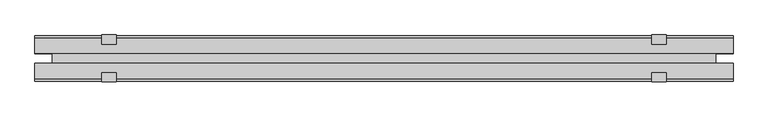
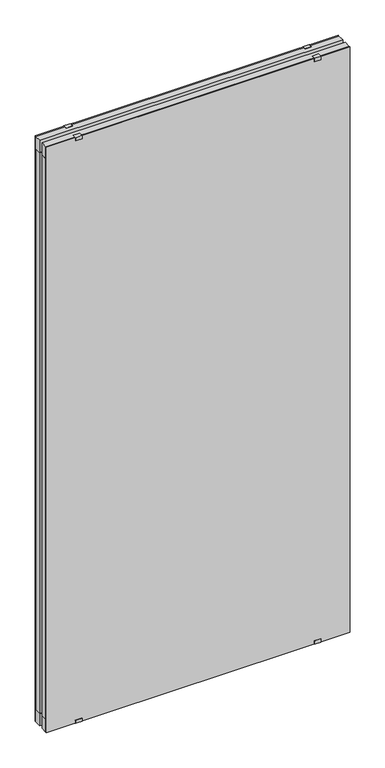
"""IFC4 building model written with IfcOpenShell, lengths in millimetres: plate geometry."""

from ifc_helpers import new_model, si_unit, frame, origin, origin_with_axes, place, context, project, spatial, polyline, outline, extrude, source, transform, mapped, element, save


def plate_957fb728(model_context):
    return source(origin(), model_context, "Body", "SweptSolid", [
        extrude(outline(polyline([(707.378037, -10.0), (707.378037, -41.0), (-707.378037, -41.0), (-707.378037, -10.0), (707.378037, -10.0)])), origin_with_axes(), (0.0, 0.0, 1.0), 60.0),
        extrude(outline(polyline([(707.378037, 41.0), (707.378037, 10.0), (-707.378037, 10.0), (-707.378037, 41.0), (707.378037, 41.0)])), origin_with_axes(), (0.0, 0.0, 1.0), 60.0),
        extrude(outline(polyline([(707.378037, -10.0), (707.378037, -41.0), (-707.378037, -41.0), (-707.378037, -10.0), (707.378037, -10.0)])), frame((0.0, 0.0, 2825.0), z_axis=(0.0, 0.0, 1.0), x_axis=(1.0, 0.0, 0.0)), (0.0, 0.0, 1.0), 60.0),
        extrude(outline(polyline([(707.378037, 41.0), (707.378037, 10.0), (-707.378037, 10.0), (-707.378037, 41.0), (707.378037, 41.0)])), frame((0.0, 0.0, 2825.0), z_axis=(0.0, 0.0, 1.0), x_axis=(1.0, 0.0, 0.0)), (0.0, 0.0, 1.0), 60.0),
        extrude(outline(polyline([(671.878037, -10.0), (-671.878037, -10.0), (-671.878037, 10.0), (671.878037, 10.0), (671.878037, -10.0)])), frame((0.0, 0.0, 28.0), z_axis=(0.0, 0.0, 1.0), x_axis=(1.0, 0.0, 0.0)), (0.0, 0.0, 1.0), 2829.0),
        extrude(outline(polyline([(707.378037, 41.0), (-707.378037, 41.0), (-707.378037, 46.0), (707.378037, 46.0), (707.378037, 41.0)])), origin_with_axes(), (0.0, 0.0, 1.0), 2885.0),
        extrude(outline(polyline([(-707.378037, -46.0), (-707.378037, -41.0), (707.378037, -41.0), (707.378037, -46.0), (-707.378037, -46.0)])), origin_with_axes(), (0.0, 0.0, 1.0), 2885.0),
        extrude(outline(polyline([(647.6149644, -10.0), (707.378037, -10.0), (707.378037, -41.0), (668.1213713, -41.0), (647.6149644, -13.4129412), (647.6149644, -10.0)])), frame((0.0, 0.0, 60.0), z_axis=(0.0, 0.0, 1.0), x_axis=(1.0, 0.0, 0.0)), (0.0, 0.0, 1.0), 2765.0),
        extrude(outline(polyline([(647.6149644, 10.0), (647.6149644, 13.4129412), (668.1213713, 41.0), (707.378037, 41.0), (707.378037, 10.0), (647.6149644, 10.0)])), frame((0.0, 0.0, 60.0), z_axis=(0.0, 0.0, 1.0), x_axis=(1.0, 0.0, 0.0)), (0.0, 0.0, 1.0), 2765.0),
        extrude(outline(polyline([(-647.6149644, -10.0), (-647.6149644, -13.4129412), (-668.1213713, -41.0), (-707.378037, -41.0), (-707.378037, -10.0), (-647.6149644, -10.0)])), frame((0.0, 0.0, 60.0), z_axis=(0.0, 0.0, 1.0), x_axis=(1.0, 0.0, 0.0)), (0.0, 0.0, 1.0), 2765.0),
        extrude(outline(polyline([(-647.6149644, 10.0), (-707.378037, 10.0), (-707.378037, 41.0), (-668.1213713, 41.0), (-647.6149644, 13.4129412), (-647.6149644, 10.0)])), frame((0.0, 0.0, 60.0), z_axis=(0.0, 0.0, 1.0), x_axis=(1.0, 0.0, 0.0)), (0.0, 0.0, 1.0), 2765.0),
        extrude(outline(polyline([(-47.5, 2886.5), (-29.0, 2886.5), (-29.0, 2885.0), (-46.0, 2885.0), (-46.0, 2870.0), (-47.5, 2870.0), (-47.5, 2886.5)])), frame((-572.378037, 0.0, 0.0), z_axis=(1.0, 0.0, 0.0), x_axis=(0.0, 1.0, 0.0)), (0.0, 0.0, 1.0), 30.0),
        extrude(outline(polyline([(47.5, 2870.0), (46.0, 2870.0), (46.0, 2885.0), (29.0, 2885.0), (29.0, 2886.5), (47.5, 2886.5), (47.5, 2870.0)])), frame((-572.378037, 0.0, 0.0), z_axis=(1.0, 0.0, 0.0), x_axis=(0.0, 1.0, 0.0)), (0.0, 0.0, 1.0), 30.0),
        extrude(outline(polyline([(-47.1, 15.0), (-46.0, 15.0), (-46.0, 0.0), (-31.0, 0.0), (-31.0, -1.2), (-47.1, -1.2), (-47.1, 15.0)])), frame((-572.378037, 0.0, 0.0), z_axis=(1.0, 0.0, 0.0), x_axis=(0.0, 1.0, 0.0)), (0.0, 0.0, 1.0), 30.0),
        extrude(outline(polyline([(47.1, -1.2), (31.0, -1.2), (31.0, 0.0), (46.0, 0.0), (46.0, 15.0), (47.1, 15.0), (47.1, -1.2)])), frame((-572.378037, 0.0, 0.0), z_axis=(1.0, 0.0, 0.0), x_axis=(0.0, 1.0, 0.0)), (0.0, 0.0, 1.0), 30.0),
        extrude(outline(polyline([(-47.5, 2886.5), (-29.0, 2886.5), (-29.0, 2885.0), (-46.0, 2885.0), (-46.0, 2870.0), (-47.5, 2870.0), (-47.5, 2886.5)])), frame((542.378037, 0.0, 0.0), z_axis=(1.0, 0.0, 0.0), x_axis=(0.0, 1.0, 0.0)), (0.0, 0.0, 1.0), 30.0),
        extrude(outline(polyline([(29.0, 2886.5), (47.5, 2886.5), (47.5, 2870.0), (46.0, 2870.0), (46.0, 2885.0), (29.0, 2885.0), (29.0, 2886.5)])), frame((542.378037, 0.0, 0.0), z_axis=(1.0, 0.0, 0.0), x_axis=(0.0, 1.0, 0.0)), (0.0, 0.0, 1.0), 30.0),
        extrude(outline(polyline([(-47.1, 15.0), (-46.0, 15.0), (-46.0, 0.0), (-31.0, 0.0), (-31.0, -1.2), (-47.1, -1.2), (-47.1, 15.0)])), frame((542.378037, 0.0, 0.0), z_axis=(1.0, 0.0, 0.0), x_axis=(0.0, 1.0, 0.0)), (0.0, 0.0, 1.0), 30.0),
        extrude(outline(polyline([(47.1, -1.2), (31.0, -1.2), (31.0, 0.0), (46.0, 0.0), (46.0, 15.0), (47.1, 15.0), (47.1, -1.2)])), frame((542.378037, 0.0, 0.0), z_axis=(1.0, 0.0, 0.0), x_axis=(0.0, 1.0, 0.0)), (0.0, 0.0, 1.0), 30.0),
    ])


if __name__ == "__main__":
    model = new_model("IFC4")
    model_context = context("Model", 3, world=origin())
    ifc_project = project(units=[si_unit("LENGTHUNIT", "METRE", prefix="MILLI")], contexts=[model_context])
    site = spatial("IfcSite", under=ifc_project)
    building = spatial("IfcBuilding", under=site)
    placement = place(None, origin())
    plate_shape = plate_957fb728(model_context)
    element("IfcPlate", 1, at=placement, inside=building, context=model_context, shape_type="MappedRepresentation", body=[
        mapped(plate_shape, transform((0.0, 0.0, 0.0), x_axis=(1.0, 0.0, 0.0), y_axis=(0.0, 1.0, 0.0), z_axis=(0.0, 0.0, 1.0))),
    ])
    save(model, "model.ifc")
